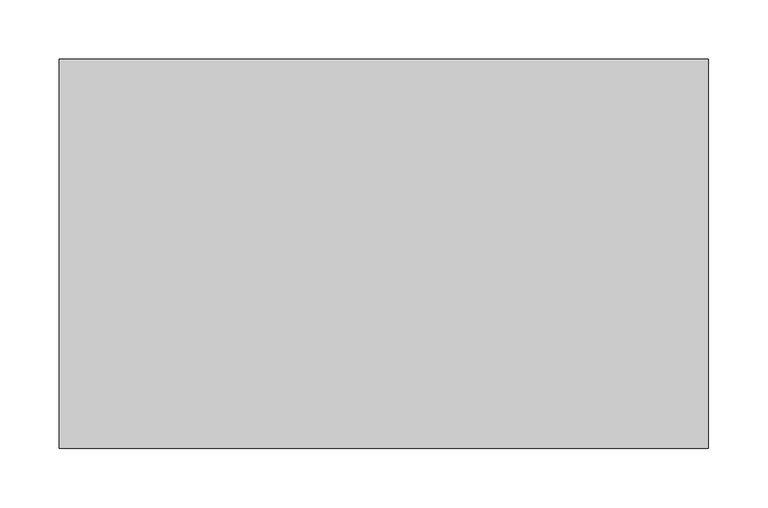
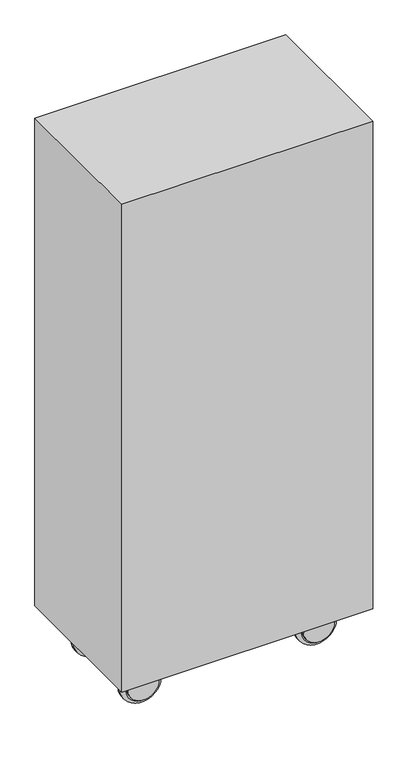
"""IFC4 building model written with IfcOpenShell, lengths in millimetres: proxy geometry."""

from ifc_helpers import new_model, si_unit, point, frame, frame_2d, origin, place, context, project, spatial, polyline, circle_curve, ellipse_curve, trimmed, segment, composite_curve, outline, extrude, source, transform, mapped, element, save
from ifc_brep_helpers import plane_surface, cylinder_surface, revolved_surface, advanced_brep


def specialty_equipment_6814cb41(model_context):
    return source(origin(), model_context, "Body", "SolidModel", [
        extrude(outline(polyline([(275.0, 165.0), (275.0, -165.0), (-275.0, -165.0), (-275.0, 165.0), (275.0, 165.0)])), frame((0.0, 0.0, 95.0), z_axis=(0.0, 0.0, 1.0), x_axis=(1.0, 0.0, 0.0)), (0.0, 0.0, 1.0), 1130.0),
        extrude(outline(composite_curve([segment(trimmed(circle_curve(frame_2d((44.7618912, 192.2384697)), 33.7499903), [point((44.7618912, 158.4884795))], [point((44.7618912, 225.98846))], False, "CARTESIAN"), True, "CONTINUOUS"), segment(trimmed(circle_curve(frame_2d((44.7618912, 192.2384697)), 33.7499903), [point((44.7618912, 225.98846))], [point((44.7618912, 158.4884795))], False, "CARTESIAN"), True, "CONTINUOUS")], self_intersect=False)), frame((0.0, -78.0, 0.0), z_axis=(0.0, 1.0, 0.0), x_axis=(0.0, 0.0, 1.0)), (0.0, 0.0, 1.0), 4.0),
        advanced_brep(
        [(225.98846, -100.0, 44.7618912), (158.4884795, -100.0, 44.7618912), (158.4884795, -78.0, 44.7618912), (225.98846, -78.0, 44.7618912), (155.4884795, -100.0, 44.7618912), (228.98846, -100.0, 44.7618912), (228.98846, -78.0, 44.7618912), (155.4884795, -78.0, 44.7618912), (147.4884795, -92.0, 44.7618912), (236.98846, -92.0, 44.7618912), (147.4884795, -86.0, 44.7618912), (236.98846, -86.0, 44.7618912)],
        [
            (0, 1, circle_curve(frame((192.2384697, -100.0, 44.7618912), z_axis=(0.0, -1.0, 0.0), x_axis=(-1.0, 0.0, 0.0)), 33.7499903)),
            (1, 2),
            (2, 3, circle_curve(frame((192.2384697, -78.0, 44.7618912), z_axis=(0.0, 1.0, 0.0), x_axis=(-1.0, 0.0, 0.0)), 33.7499903)),
            (3, 0),
            (4, 5, circle_curve(frame((192.2384697, -100.0, 44.7618912), z_axis=(0.0, -1.0, 0.0), x_axis=(1.0, 0.0, 0.0)), 36.7499903)),
            (5, 4, circle_curve(frame((192.2384697, -100.0, 44.7618912), z_axis=(0.0, -1.0, 0.0), x_axis=(-1.0, 0.0, 0.0)), 36.7499903)),
            (0, 1, circle_curve(frame((192.2384697, -100.0, 44.7618912), z_axis=(0.0, 1.0, 0.0), x_axis=(1.0, 0.0, 0.0)), 33.7499903)),
            (6, 7, circle_curve(frame((192.2384697, -78.0, 44.7618912), z_axis=(0.0, 1.0, 0.0), x_axis=(1.0, 0.0, 0.0)), 36.7499903)),
            (7, 6, circle_curve(frame((192.2384697, -78.0, 44.7618912), z_axis=(0.0, 1.0, 0.0), x_axis=(-1.0, 0.0, 0.0)), 36.7499903)),
            (2, 3, circle_curve(frame((192.2384697, -78.0, 44.7618912), z_axis=(0.0, -1.0, 0.0), x_axis=(1.0, 0.0, 0.0)), 33.7499903)),
            (8, 9, circle_curve(frame((192.2384697, -92.0, 44.7618912), z_axis=(0.0, -1.0, 0.0), x_axis=(1.0, 0.0, 0.0)), 44.7499903)),
            (9, 5, circle_curve(frame((228.98846, -92.0, 44.7618912), z_axis=(0.0, 0.0, -1.0), x_axis=(-1.0, 0.0, 0.0)), 8.0)),
            (4, 8, circle_curve(frame((155.4884795, -92.0, 44.7618912), z_axis=(0.0, 0.0, -1.0), x_axis=(1.0, 0.0, 0.0)), 8.0)),
            (10, 11, circle_curve(frame((192.2384697, -86.0, 44.7618912), z_axis=(0.0, -1.0, 0.0), x_axis=(1.0, 0.0, 0.0)), 44.7499903)),
            (11, 9),
            (8, 10),
            (6, 11, circle_curve(frame((228.98846, -86.0, 44.7618912), z_axis=(0.0, 0.0, -1.0), x_axis=(-1.0, 0.0, 0.0)), 8.0)),
            (10, 7, circle_curve(frame((155.4884795, -86.0, 44.7618912), z_axis=(0.0, 0.0, -1.0), x_axis=(1.0, 0.0, 0.0)), 8.0)),
            (9, 8, circle_curve(frame((192.2384697, -92.0, 44.7618912), z_axis=(0.0, -1.0, 0.0), x_axis=(-1.0, 0.0, 0.0)), 44.7499903)),
            (11, 10, circle_curve(frame((192.2384697, -86.0, 44.7618912), z_axis=(0.0, -1.0, 0.0), x_axis=(-1.0, 0.0, 0.0)), 44.7499903)),
        ],
        [
            revolved_surface(polyline([(158.4884794, -78.0, 44.7618912), (158.4884794, -100.0, 44.7618912)]), (192.2384697, -104.0, 44.7618912), (0.0, 1.0, 0.0)),
            plane_surface(frame((192.2384697, -100.0, 44.7618912), z_axis=(0.0, -1.0, 0.0), x_axis=(1.0, 0.0, 0.0))),
            plane_surface(frame((192.2384697, -78.0, 44.7618912), z_axis=(0.0, 1.0, 0.0), x_axis=(1.0, 0.0, 0.0))),
            revolved_surface(polyline([(225.98846, -78.0, 44.7618912), (225.98846, -100.0, 44.7618912)]), (192.2384697, -104.0, 44.7618912), (0.0, 1.0, 0.0)),
            revolved_surface(trimmed(ellipse_curve(frame((228.98846, -92.0, 44.7618912), z_axis=(0.0, 0.0, 1.0), x_axis=(-1.0, 0.0, 0.0)), 8.0, 8.0), [point((228.98846, -100.0, 44.7618912))], [point((236.98846, -92.0, 44.7618912))], True, "CARTESIAN"), (192.2384697, -104.0, 44.7618912), (0.0, 1.0, 0.0)),
            cylinder_surface(frame((192.2384697, -104.0, 44.7618912), z_axis=(0.0, 1.0, 0.0), x_axis=(1.0, 0.0, 0.0)), 44.7499903),
            revolved_surface(trimmed(ellipse_curve(frame((228.98846, -86.0, 44.7618912), z_axis=(0.0, 0.0, 1.0), x_axis=(-1.0, 0.0, 0.0)), 8.0, 8.0), [point((236.98846, -86.0, 44.7618912))], [point((228.98846, -78.0, 44.7618912))], True, "CARTESIAN"), (192.2384697, -104.0, 44.7618912), (0.0, 1.0, 0.0)),
            revolved_surface(trimmed(ellipse_curve(frame((155.4884795, -92.0, 44.7618912), z_axis=(0.0, 0.0, -1.0), x_axis=(1.0, 0.0, 0.0)), 8.0, 8.0), [point((155.4884795, -100.0, 44.7618912))], [point((147.4884795, -92.0, 44.7618912))], True, "CARTESIAN"), (192.2384697, -104.0, 44.7618912), (0.0, 1.0, 0.0)),
            cylinder_surface(frame((192.2384697, -104.0, 44.7618912), z_axis=(0.0, 1.0, 0.0), x_axis=(-1.0, 0.0, 0.0)), 44.7499903),
            revolved_surface(trimmed(ellipse_curve(frame((155.4884795, -86.0, 44.7618912), z_axis=(0.0, 0.0, -1.0), x_axis=(1.0, 0.0, 0.0)), 8.0, 8.0), [point((147.4884795, -86.0, 44.7618912))], [point((155.4884795, -78.0, 44.7618912))], True, "CARTESIAN"), (192.2384697, -104.0, 44.7618912), (0.0, 1.0, 0.0)),
        ],
        [
            (0, [[1, 2, 3, 4]]),
            (1, [[5, 6], [7, -1]]),
            (2, [[8, 9], [10, -3]]),
            (3, [[-7, -4, -10, -2]]),
            (4, [[11, 12, -5, 13]]),
            (5, [[14, 15, -11, 16]]),
            (6, [[-8, 17, -14, 18]]),
            (7, [[19, -13, -6, -12]]),
            (8, [[20, -16, -19, -15]]),
            (9, [[-9, -18, -20, -17]]),
        ],
    ),
        extrude(outline(composite_curve([segment(trimmed(circle_curve(frame_2d((44.7618912, 192.2384697)), 33.7499903), [point((44.7618912, 158.4884795))], [point((44.7618912, 225.98846))], False, "CARTESIAN"), True, "CONTINUOUS"), segment(trimmed(circle_curve(frame_2d((44.7618912, 192.2384697)), 33.7499903), [point((44.7618912, 225.98846))], [point((44.7618912, 158.4884795))], False, "CARTESIAN"), True, "CONTINUOUS")], self_intersect=False)), frame((0.0, -104.0, 0.0), z_axis=(0.0, 1.0, 0.0), x_axis=(0.0, 0.0, 1.0)), (0.0, 0.0, 1.0), 4.0),
        extrude(outline(composite_curve([segment(trimmed(circle_curve(frame_2d((44.7618912, -192.2384697)), 33.7499903), [point((44.7618912, -225.98846))], [point((44.7618912, -158.4884795))], False, "CARTESIAN"), True, "CONTINUOUS"), segment(trimmed(circle_curve(frame_2d((44.7618912, -192.2384697)), 33.7499903), [point((44.7618912, -158.4884795))], [point((44.7618912, -225.98846))], False, "CARTESIAN"), True, "CONTINUOUS")], self_intersect=False)), frame((0.0, -78.0, 0.0), z_axis=(0.0, 1.0, 0.0), x_axis=(0.0, 0.0, 1.0)), (0.0, 0.0, 1.0), 4.0),
        advanced_brep(
        [(-158.4884795, -100.0, 44.7618912), (-225.98846, -100.0, 44.7618912), (-225.98846, -78.0, 44.7618912), (-158.4884795, -78.0, 44.7618912), (-228.98846, -100.0, 44.7618912), (-155.4884795, -100.0, 44.7618912), (-155.4884795, -78.0, 44.7618912), (-228.98846, -78.0, 44.7618912), (-236.98846, -92.0, 44.7618912), (-147.4884795, -92.0, 44.7618912), (-236.98846, -86.0, 44.7618912), (-147.4884795, -86.0, 44.7618912)],
        [
            (0, 1, circle_curve(frame((-192.2384697, -100.0, 44.7618912), z_axis=(0.0, -1.0, 0.0), x_axis=(-1.0, 0.0, 0.0)), 33.7499903)),
            (1, 2),
            (2, 3, circle_curve(frame((-192.2384697, -78.0, 44.7618912), z_axis=(0.0, 1.0, 0.0), x_axis=(-1.0, 0.0, 0.0)), 33.7499903)),
            (3, 0),
            (4, 5, circle_curve(frame((-192.2384697, -100.0, 44.7618912), z_axis=(0.0, -1.0, 0.0), x_axis=(1.0, 0.0, 0.0)), 36.7499903)),
            (5, 4, circle_curve(frame((-192.2384697, -100.0, 44.7618912), z_axis=(0.0, -1.0, 0.0), x_axis=(-1.0, 0.0, 0.0)), 36.7499903)),
            (0, 1, circle_curve(frame((-192.2384697, -100.0, 44.7618912), z_axis=(0.0, 1.0, 0.0), x_axis=(1.0, 0.0, 0.0)), 33.7499903)),
            (6, 7, circle_curve(frame((-192.2384697, -78.0, 44.7618912), z_axis=(0.0, 1.0, 0.0), x_axis=(1.0, 0.0, 0.0)), 36.7499903)),
            (7, 6, circle_curve(frame((-192.2384697, -78.0, 44.7618912), z_axis=(0.0, 1.0, 0.0), x_axis=(-1.0, 0.0, 0.0)), 36.7499903)),
            (2, 3, circle_curve(frame((-192.2384697, -78.0, 44.7618912), z_axis=(0.0, -1.0, 0.0), x_axis=(1.0, 0.0, 0.0)), 33.7499903)),
            (8, 9, circle_curve(frame((-192.2384697, -92.0, 44.7618912), z_axis=(0.0, -1.0, 0.0), x_axis=(1.0, 0.0, 0.0)), 44.7499903)),
            (9, 5, circle_curve(frame((-155.4884795, -92.0, 44.7618912), z_axis=(0.0, 0.0, -1.0), x_axis=(-1.0, 0.0, 0.0)), 8.0)),
            (4, 8, circle_curve(frame((-228.98846, -92.0, 44.7618912), z_axis=(0.0, 0.0, -1.0), x_axis=(1.0, 0.0, 0.0)), 8.0)),
            (10, 11, circle_curve(frame((-192.2384697, -86.0, 44.7618912), z_axis=(0.0, -1.0, 0.0), x_axis=(1.0, 0.0, 0.0)), 44.7499903)),
            (11, 9),
            (8, 10),
            (6, 11, circle_curve(frame((-155.4884795, -86.0, 44.7618912), z_axis=(0.0, 0.0, -1.0), x_axis=(-1.0, 0.0, 0.0)), 8.0)),
            (10, 7, circle_curve(frame((-228.98846, -86.0, 44.7618912), z_axis=(0.0, 0.0, -1.0), x_axis=(1.0, 0.0, 0.0)), 8.0)),
            (9, 8, circle_curve(frame((-192.2384697, -92.0, 44.7618912), z_axis=(0.0, -1.0, 0.0), x_axis=(-1.0, 0.0, 0.0)), 44.7499903)),
            (11, 10, circle_curve(frame((-192.2384697, -86.0, 44.7618912), z_axis=(0.0, -1.0, 0.0), x_axis=(-1.0, 0.0, 0.0)), 44.7499903)),
        ],
        [
            revolved_surface(polyline([(-225.98846, -78.0, 44.7618912), (-225.98846, -100.0, 44.7618912)]), (-192.2384697, -104.0, 44.7618912), (0.0, 1.0, 0.0)),
            plane_surface(frame((-192.2384697, -100.0, 44.7618912), z_axis=(0.0, -1.0, 0.0), x_axis=(1.0, 0.0, 0.0))),
            plane_surface(frame((-192.2384697, -78.0, 44.7618912), z_axis=(0.0, 1.0, 0.0), x_axis=(1.0, 0.0, 0.0))),
            revolved_surface(polyline([(-158.4884794, -78.0, 44.7618912), (-158.4884794, -100.0, 44.7618912)]), (-192.2384697, -104.0, 44.7618912), (0.0, 1.0, 0.0)),
            revolved_surface(trimmed(ellipse_curve(frame((-155.4884795, -92.0, 44.7618912), z_axis=(0.0, 0.0, 1.0), x_axis=(-1.0, 0.0, 0.0)), 8.0, 8.0), [point((-155.4884795, -100.0, 44.7618912))], [point((-147.4884795, -92.0, 44.7618912))], True, "CARTESIAN"), (-192.2384697, -104.0, 44.7618912), (0.0, 1.0, 0.0)),
            cylinder_surface(frame((-192.2384697, -104.0, 44.7618912), z_axis=(0.0, 1.0, 0.0), x_axis=(1.0, 0.0, 0.0)), 44.7499903),
            revolved_surface(trimmed(ellipse_curve(frame((-155.4884795, -86.0, 44.7618912), z_axis=(0.0, 0.0, 1.0), x_axis=(-1.0, 0.0, 0.0)), 8.0, 8.0), [point((-147.4884795, -86.0, 44.7618912))], [point((-155.4884795, -78.0, 44.7618912))], True, "CARTESIAN"), (-192.2384697, -104.0, 44.7618912), (0.0, 1.0, 0.0)),
            revolved_surface(trimmed(ellipse_curve(frame((-228.98846, -92.0, 44.7618912), z_axis=(0.0, 0.0, -1.0), x_axis=(1.0, 0.0, 0.0)), 8.0, 8.0), [point((-228.98846, -100.0, 44.7618912))], [point((-236.98846, -92.0, 44.7618912))], True, "CARTESIAN"), (-192.2384697, -104.0, 44.7618912), (0.0, 1.0, 0.0)),
            cylinder_surface(frame((-192.2384697, -104.0, 44.7618912), z_axis=(0.0, 1.0, 0.0), x_axis=(-1.0, 0.0, 0.0)), 44.7499903),
            revolved_surface(trimmed(ellipse_curve(frame((-228.98846, -86.0, 44.7618912), z_axis=(0.0, 0.0, -1.0), x_axis=(1.0, 0.0, 0.0)), 8.0, 8.0), [point((-236.98846, -86.0, 44.7618912))], [point((-228.98846, -78.0, 44.7618912))], True, "CARTESIAN"), (-192.2384697, -104.0, 44.7618912), (0.0, 1.0, 0.0)),
        ],
        [
            (0, [[1, 2, 3, 4]]),
            (1, [[5, 6], [7, -1]]),
            (2, [[8, 9], [10, -3]]),
            (3, [[-7, -4, -10, -2]]),
            (4, [[11, 12, -5, 13]]),
            (5, [[14, 15, -11, 16]]),
            (6, [[-8, 17, -14, 18]]),
            (7, [[19, -13, -6, -12]]),
            (8, [[20, -16, -19, -15]]),
            (9, [[-9, -18, -20, -17]]),
        ],
    ),
        extrude(outline(composite_curve([segment(trimmed(circle_curve(frame_2d((44.7618912, -192.2384697)), 33.7499903), [point((44.7618912, -225.98846))], [point((44.7618912, -158.4884795))], False, "CARTESIAN"), True, "CONTINUOUS"), segment(trimmed(circle_curve(frame_2d((44.7618912, -192.2384697)), 33.7499903), [point((44.7618912, -158.4884795))], [point((44.7618912, -225.98846))], False, "CARTESIAN"), True, "CONTINUOUS")], self_intersect=False)), frame((0.0, -104.0, 0.0), z_axis=(0.0, 1.0, 0.0), x_axis=(0.0, 0.0, 1.0)), (0.0, 0.0, 1.0), 4.0),
        extrude(outline(composite_curve([segment(trimmed(circle_curve(frame_2d((44.7618912, 192.2384697)), 33.7499903), [point((44.7618912, 158.4884795))], [point((44.7618912, 225.98846))], False, "CARTESIAN"), True, "CONTINUOUS"), segment(trimmed(circle_curve(frame_2d((44.7618912, 192.2384697)), 33.7499903), [point((44.7618912, 225.98846))], [point((44.7618912, 158.4884795))], False, "CARTESIAN"), True, "CONTINUOUS")], self_intersect=False)), frame((0.0, 100.0, 0.0), z_axis=(0.0, 1.0, 0.0), x_axis=(0.0, 0.0, 1.0)), (0.0, 0.0, 1.0), 4.0),
        advanced_brep(
        [(225.98846, 78.0, 44.7618912), (158.4884795, 78.0, 44.7618912), (158.4884795, 100.0, 44.7618912), (225.98846, 100.0, 44.7618912), (155.4884795, 78.0, 44.7618912), (228.98846, 78.0, 44.7618912), (228.98846, 100.0, 44.7618912), (155.4884795, 100.0, 44.7618912), (147.4884795, 86.0, 44.7618912), (236.98846, 86.0, 44.7618912), (147.4884795, 92.0, 44.7618912), (236.98846, 92.0, 44.7618912)],
        [
            (0, 1, circle_curve(frame((192.2384697, 78.0, 44.7618912), z_axis=(0.0, -1.0, 0.0), x_axis=(-1.0, 0.0, 0.0)), 33.7499903)),
            (1, 2),
            (2, 3, circle_curve(frame((192.2384697, 100.0, 44.7618912), z_axis=(0.0, 1.0, 0.0), x_axis=(-1.0, 0.0, 0.0)), 33.7499903)),
            (3, 0),
            (4, 5, circle_curve(frame((192.2384697, 78.0, 44.7618912), z_axis=(0.0, -1.0, 0.0), x_axis=(1.0, 0.0, 0.0)), 36.7499903)),
            (5, 4, circle_curve(frame((192.2384697, 78.0, 44.7618912), z_axis=(0.0, -1.0, 0.0), x_axis=(-1.0, 0.0, 0.0)), 36.7499903)),
            (0, 1, circle_curve(frame((192.2384697, 78.0, 44.7618912), z_axis=(0.0, 1.0, 0.0), x_axis=(1.0, 0.0, 0.0)), 33.7499903)),
            (6, 7, circle_curve(frame((192.2384697, 100.0, 44.7618912), z_axis=(0.0, 1.0, 0.0), x_axis=(1.0, 0.0, 0.0)), 36.7499903)),
            (7, 6, circle_curve(frame((192.2384697, 100.0, 44.7618912), z_axis=(0.0, 1.0, 0.0), x_axis=(-1.0, 0.0, 0.0)), 36.7499903)),
            (2, 3, circle_curve(frame((192.2384697, 100.0, 44.7618912), z_axis=(0.0, -1.0, 0.0), x_axis=(1.0, 0.0, 0.0)), 33.7499903)),
            (8, 9, circle_curve(frame((192.2384697, 86.0, 44.7618912), z_axis=(0.0, -1.0, 0.0), x_axis=(1.0, 0.0, 0.0)), 44.7499903)),
            (9, 5, circle_curve(frame((228.98846, 86.0, 44.7618912), z_axis=(0.0, 0.0, -1.0), x_axis=(-1.0, 0.0, 0.0)), 8.0)),
            (4, 8, circle_curve(frame((155.4884795, 86.0, 44.7618912), z_axis=(0.0, 0.0, -1.0), x_axis=(1.0, 0.0, 0.0)), 8.0)),
            (10, 11, circle_curve(frame((192.2384697, 92.0, 44.7618912), z_axis=(0.0, -1.0, 0.0), x_axis=(1.0, 0.0, 0.0)), 44.7499903)),
            (11, 9),
            (8, 10),
            (6, 11, circle_curve(frame((228.98846, 92.0, 44.7618912), z_axis=(0.0, 0.0, -1.0), x_axis=(-1.0, 0.0, 0.0)), 8.0)),
            (10, 7, circle_curve(frame((155.4884795, 92.0, 44.7618912), z_axis=(0.0, 0.0, -1.0), x_axis=(1.0, 0.0, 0.0)), 8.0)),
            (9, 8, circle_curve(frame((192.2384697, 86.0, 44.7618912), z_axis=(0.0, -1.0, 0.0), x_axis=(-1.0, 0.0, 0.0)), 44.7499903)),
            (11, 10, circle_curve(frame((192.2384697, 92.0, 44.7618912), z_axis=(0.0, -1.0, 0.0), x_axis=(-1.0, 0.0, 0.0)), 44.7499903)),
        ],
        [
            revolved_surface(polyline([(158.4884794, 100.0, 44.7618912), (158.4884794, 78.0, 44.7618912)]), (192.2384697, 74.0, 44.7618912), (0.0, 1.0, 0.0)),
            plane_surface(frame((192.2384697, 78.0, 44.7618912), z_axis=(0.0, -1.0, 0.0), x_axis=(1.0, 0.0, 0.0))),
            plane_surface(frame((192.2384697, 100.0, 44.7618912), z_axis=(0.0, 1.0, 0.0), x_axis=(1.0, 0.0, 0.0))),
            revolved_surface(polyline([(225.98846, 100.0, 44.7618912), (225.98846, 78.0, 44.7618912)]), (192.2384697, 74.0, 44.7618912), (0.0, 1.0, 0.0)),
            revolved_surface(trimmed(ellipse_curve(frame((228.98846, 86.0, 44.7618912), z_axis=(0.0, 0.0, 1.0), x_axis=(-1.0, 0.0, 0.0)), 8.0, 8.0), [point((228.98846, 78.0, 44.7618912))], [point((236.98846, 86.0, 44.7618912))], True, "CARTESIAN"), (192.2384697, 74.0, 44.7618912), (0.0, 1.0, 0.0)),
            cylinder_surface(frame((192.2384697, 74.0, 44.7618912), z_axis=(0.0, 1.0, 0.0), x_axis=(1.0, 0.0, 0.0)), 44.7499903),
            revolved_surface(trimmed(ellipse_curve(frame((228.98846, 92.0, 44.7618912), z_axis=(0.0, 0.0, 1.0), x_axis=(-1.0, 0.0, 0.0)), 8.0, 8.0), [point((236.98846, 92.0, 44.7618912))], [point((228.98846, 100.0, 44.7618912))], True, "CARTESIAN"), (192.2384697, 74.0, 44.7618912), (0.0, 1.0, 0.0)),
            revolved_surface(trimmed(ellipse_curve(frame((155.4884795, 86.0, 44.7618912), z_axis=(0.0, 0.0, -1.0), x_axis=(1.0, 0.0, 0.0)), 8.0, 8.0), [point((155.4884795, 78.0, 44.7618912))], [point((147.4884795, 86.0, 44.7618912))], True, "CARTESIAN"), (192.2384697, 74.0, 44.7618912), (0.0, 1.0, 0.0)),
            cylinder_surface(frame((192.2384697, 74.0, 44.7618912), z_axis=(0.0, 1.0, 0.0), x_axis=(-1.0, 0.0, 0.0)), 44.7499903),
            revolved_surface(trimmed(ellipse_curve(frame((155.4884795, 92.0, 44.7618912), z_axis=(0.0, 0.0, -1.0), x_axis=(1.0, 0.0, 0.0)), 8.0, 8.0), [point((147.4884795, 92.0, 44.7618912))], [point((155.4884795, 100.0, 44.7618912))], True, "CARTESIAN"), (192.2384697, 74.0, 44.7618912), (0.0, 1.0, 0.0)),
        ],
        [
            (0, [[1, 2, 3, 4]]),
            (1, [[5, 6], [7, -1]]),
            (2, [[8, 9], [10, -3]]),
            (3, [[-7, -4, -10, -2]]),
            (4, [[11, 12, -5, 13]]),
            (5, [[14, 15, -11, 16]]),
            (6, [[-8, 17, -14, 18]]),
            (7, [[19, -13, -6, -12]]),
            (8, [[20, -16, -19, -15]]),
            (9, [[-9, -18, -20, -17]]),
        ],
    ),
        extrude(outline(composite_curve([segment(trimmed(circle_curve(frame_2d((44.7618912, 192.2384697)), 33.7499903), [point((44.7618912, 158.4884795))], [point((44.7618912, 225.98846))], False, "CARTESIAN"), True, "CONTINUOUS"), segment(trimmed(circle_curve(frame_2d((44.7618912, 192.2384697)), 33.7499903), [point((44.7618912, 225.98846))], [point((44.7618912, 158.4884795))], False, "CARTESIAN"), True, "CONTINUOUS")], self_intersect=False)), frame((0.0, 74.0, 0.0), z_axis=(0.0, 1.0, 0.0), x_axis=(0.0, 0.0, 1.0)), (0.0, 0.0, 1.0), 4.0),
        extrude(outline(composite_curve([segment(trimmed(circle_curve(frame_2d((44.7618912, -192.2384697)), 33.7499903), [point((44.7618912, -225.98846))], [point((44.7618912, -158.4884795))], False, "CARTESIAN"), True, "CONTINUOUS"), segment(trimmed(circle_curve(frame_2d((44.7618912, -192.2384697)), 33.7499903), [point((44.7618912, -158.4884795))], [point((44.7618912, -225.98846))], False, "CARTESIAN"), True, "CONTINUOUS")], self_intersect=False)), frame((0.0, 100.0, 0.0), z_axis=(0.0, 1.0, 0.0), x_axis=(0.0, 0.0, 1.0)), (0.0, 0.0, 1.0), 4.0),
        advanced_brep(
        [(-158.4884795, 78.0, 44.7618912), (-225.98846, 78.0, 44.7618912), (-225.98846, 100.0, 44.7618912), (-158.4884795, 100.0, 44.7618912), (-228.98846, 78.0, 44.7618912), (-155.4884795, 78.0, 44.7618912), (-155.4884795, 100.0, 44.7618912), (-228.98846, 100.0, 44.7618912), (-236.98846, 86.0, 44.7618912), (-147.4884795, 86.0, 44.7618912), (-236.98846, 92.0, 44.7618912), (-147.4884795, 92.0, 44.7618912)],
        [
            (0, 1, circle_curve(frame((-192.2384697, 78.0, 44.7618912), z_axis=(0.0, -1.0, 0.0), x_axis=(-1.0, 0.0, 0.0)), 33.7499903)),
            (1, 2),
            (2, 3, circle_curve(frame((-192.2384697, 100.0, 44.7618912), z_axis=(0.0, 1.0, 0.0), x_axis=(-1.0, 0.0, 0.0)), 33.7499903)),
            (3, 0),
            (4, 5, circle_curve(frame((-192.2384697, 78.0, 44.7618912), z_axis=(0.0, -1.0, 0.0), x_axis=(1.0, 0.0, 0.0)), 36.7499903)),
            (5, 4, circle_curve(frame((-192.2384697, 78.0, 44.7618912), z_axis=(0.0, -1.0, 0.0), x_axis=(-1.0, 0.0, 0.0)), 36.7499903)),
            (0, 1, circle_curve(frame((-192.2384697, 78.0, 44.7618912), z_axis=(0.0, 1.0, 0.0), x_axis=(1.0, 0.0, 0.0)), 33.7499903)),
            (6, 7, circle_curve(frame((-192.2384697, 100.0, 44.7618912), z_axis=(0.0, 1.0, 0.0), x_axis=(1.0, 0.0, 0.0)), 36.7499903)),
            (7, 6, circle_curve(frame((-192.2384697, 100.0, 44.7618912), z_axis=(0.0, 1.0, 0.0), x_axis=(-1.0, 0.0, 0.0)), 36.7499903)),
            (2, 3, circle_curve(frame((-192.2384697, 100.0, 44.7618912), z_axis=(0.0, -1.0, 0.0), x_axis=(1.0, 0.0, 0.0)), 33.7499903)),
            (8, 9, circle_curve(frame((-192.2384697, 86.0, 44.7618912), z_axis=(0.0, -1.0, 0.0), x_axis=(1.0, 0.0, 0.0)), 44.7499903)),
            (9, 5, circle_curve(frame((-155.4884795, 86.0, 44.7618912), z_axis=(0.0, 0.0, -1.0), x_axis=(-1.0, 0.0, 0.0)), 8.0)),
            (4, 8, circle_curve(frame((-228.98846, 86.0, 44.7618912), z_axis=(0.0, 0.0, -1.0), x_axis=(1.0, 0.0, 0.0)), 8.0)),
            (10, 11, circle_curve(frame((-192.2384697, 92.0, 44.7618912), z_axis=(0.0, -1.0, 0.0), x_axis=(1.0, 0.0, 0.0)), 44.7499903)),
            (11, 9),
            (8, 10),
            (6, 11, circle_curve(frame((-155.4884795, 92.0, 44.7618912), z_axis=(0.0, 0.0, -1.0), x_axis=(-1.0, 0.0, 0.0)), 8.0)),
            (10, 7, circle_curve(frame((-228.98846, 92.0, 44.7618912), z_axis=(0.0, 0.0, -1.0), x_axis=(1.0, 0.0, 0.0)), 8.0)),
            (9, 8, circle_curve(frame((-192.2384697, 86.0, 44.7618912), z_axis=(0.0, -1.0, 0.0), x_axis=(-1.0, 0.0, 0.0)), 44.7499903)),
            (11, 10, circle_curve(frame((-192.2384697, 92.0, 44.7618912), z_axis=(0.0, -1.0, 0.0), x_axis=(-1.0, 0.0, 0.0)), 44.7499903)),
        ],
        [
            revolved_surface(polyline([(-225.98846, 100.0, 44.7618912), (-225.98846, 78.0, 44.7618912)]), (-192.2384697, 74.0, 44.7618912), (0.0, 1.0, 0.0)),
            plane_surface(frame((-192.2384697, 78.0, 44.7618912), z_axis=(0.0, -1.0, 0.0), x_axis=(1.0, 0.0, 0.0))),
            plane_surface(frame((-192.2384697, 100.0, 44.7618912), z_axis=(0.0, 1.0, 0.0), x_axis=(1.0, 0.0, 0.0))),
            revolved_surface(polyline([(-158.4884794, 100.0, 44.7618912), (-158.4884794, 78.0, 44.7618912)]), (-192.2384697, 74.0, 44.7618912), (0.0, 1.0, 0.0)),
            revolved_surface(trimmed(ellipse_curve(frame((-155.4884795, 86.0, 44.7618912), z_axis=(0.0, 0.0, 1.0), x_axis=(-1.0, 0.0, 0.0)), 8.0, 8.0), [point((-155.4884795, 78.0, 44.7618912))], [point((-147.4884795, 86.0, 44.7618912))], True, "CARTESIAN"), (-192.2384697, 74.0, 44.7618912), (0.0, 1.0, 0.0)),
            cylinder_surface(frame((-192.2384697, 74.0, 44.7618912), z_axis=(0.0, 1.0, 0.0), x_axis=(1.0, 0.0, 0.0)), 44.7499903),
            revolved_surface(trimmed(ellipse_curve(frame((-155.4884795, 92.0, 44.7618912), z_axis=(0.0, 0.0, 1.0), x_axis=(-1.0, 0.0, 0.0)), 8.0, 8.0), [point((-147.4884795, 92.0, 44.7618912))], [point((-155.4884795, 100.0, 44.7618912))], True, "CARTESIAN"), (-192.2384697, 74.0, 44.7618912), (0.0, 1.0, 0.0)),
            revolved_surface(trimmed(ellipse_curve(frame((-228.98846, 86.0, 44.7618912), z_axis=(0.0, 0.0, -1.0), x_axis=(1.0, 0.0, 0.0)), 8.0, 8.0), [point((-228.98846, 78.0, 44.7618912))], [point((-236.98846, 86.0, 44.7618912))], True, "CARTESIAN"), (-192.2384697, 74.0, 44.7618912), (0.0, 1.0, 0.0)),
            cylinder_surface(frame((-192.2384697, 74.0, 44.7618912), z_axis=(0.0, 1.0, 0.0), x_axis=(-1.0, 0.0, 0.0)), 44.7499903),
            revolved_surface(trimmed(ellipse_curve(frame((-228.98846, 92.0, 44.7618912), z_axis=(0.0, 0.0, -1.0), x_axis=(1.0, 0.0, 0.0)), 8.0, 8.0), [point((-236.98846, 92.0, 44.7618912))], [point((-228.98846, 100.0, 44.7618912))], True, "CARTESIAN"), (-192.2384697, 74.0, 44.7618912), (0.0, 1.0, 0.0)),
        ],
        [
            (0, [[1, 2, 3, 4]]),
            (1, [[5, 6], [7, -1]]),
            (2, [[8, 9], [10, -3]]),
            (3, [[-7, -4, -10, -2]]),
            (4, [[11, 12, -5, 13]]),
            (5, [[14, 15, -11, 16]]),
            (6, [[-8, 17, -14, 18]]),
            (7, [[19, -13, -6, -12]]),
            (8, [[20, -16, -19, -15]]),
            (9, [[-9, -18, -20, -17]]),
        ],
    ),
        extrude(outline(composite_curve([segment(trimmed(circle_curve(frame_2d((44.7618912, -192.2384697)), 33.7499903), [point((44.7618912, -225.98846))], [point((44.7618912, -158.4884795))], False, "CARTESIAN"), True, "CONTINUOUS"), segment(trimmed(circle_curve(frame_2d((44.7618912, -192.2384697)), 33.7499903), [point((44.7618912, -158.4884795))], [point((44.7618912, -225.98846))], False, "CARTESIAN"), True, "CONTINUOUS")], self_intersect=False)), frame((0.0, 74.0, 0.0), z_axis=(0.0, 1.0, 0.0), x_axis=(0.0, 0.0, 1.0)), (0.0, 0.0, 1.0), 4.0),
    ])


if __name__ == "__main__":
    model = new_model("IFC4")
    model_context = context("Model", 3, world=origin())
    ifc_project = project(units=[si_unit("LENGTHUNIT", "METRE", prefix="MILLI")], contexts=[model_context])
    site = spatial("IfcSite", under=ifc_project)
    building = spatial("IfcBuilding", under=site)
    placement = place(None, origin())
    specialty_equipment_shape = specialty_equipment_6814cb41(model_context)
    element("IfcBuildingElementProxy", 1, Name="Specialty Equipment", at=placement, inside=building, context=model_context, shape_type="MappedRepresentation", body=[
        mapped(specialty_equipment_shape, transform((0.0, 0.0, 0.0), x_axis=(1.0, 0.0, 0.0), y_axis=(0.0, 1.0, 0.0), z_axis=(0.0, 0.0, 1.0))),
    ])
    save(model, "model.ifc")
